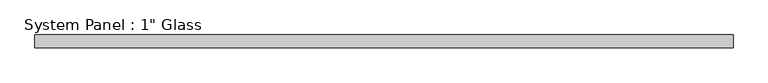
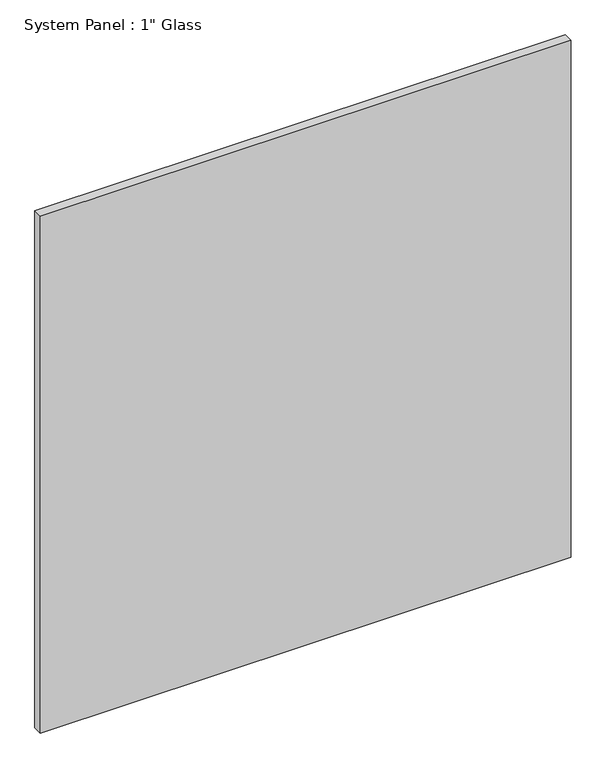
"""IFC4 building model written with IfcOpenShell, lengths in millimetres: plate geometry."""

from ifc_helpers import new_model, si_unit, origin, origin_with_axes, place, context, project, spatial, polyline, outline, extrude, source, transform, mapped, element, save


def plate_2497925b(model_context):
    return source(origin(), model_context, "Body", "SweptSolid", [
        extrude(outline(polyline([(703.8430865, -12.7), (-703.8430865, -12.7), (-703.8430865, 12.7), (703.8430865, 12.7), (703.8430865, -12.7)])), origin_with_axes(), (0.0, 0.0, 1.0), 1449.8191382),
    ])


if __name__ == "__main__":
    model = new_model("IFC4")
    model_context = context("Model", 3, world=origin())
    ifc_project = project(units=[si_unit("LENGTHUNIT", "METRE", prefix="MILLI")], contexts=[model_context])
    site = spatial("IfcSite", under=ifc_project)
    building = spatial("IfcBuilding", under=site)
    placement = place(None, origin())
    plate_shape = plate_2497925b(model_context)
    element("IfcPlate", 1, ObjectType="System Panel : 1\" Glass", at=placement, inside=building, context=model_context, shape_type="MappedRepresentation", body=[
        mapped(plate_shape, transform((0.0, 0.0, 0.0), x_axis=(1.0, 0.0, 0.0), y_axis=(0.0, 1.0, 0.0), z_axis=(0.0, 0.0, 1.0))),
    ])
    save(model, "model.ifc")
